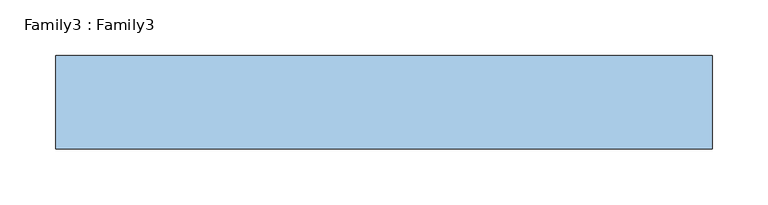
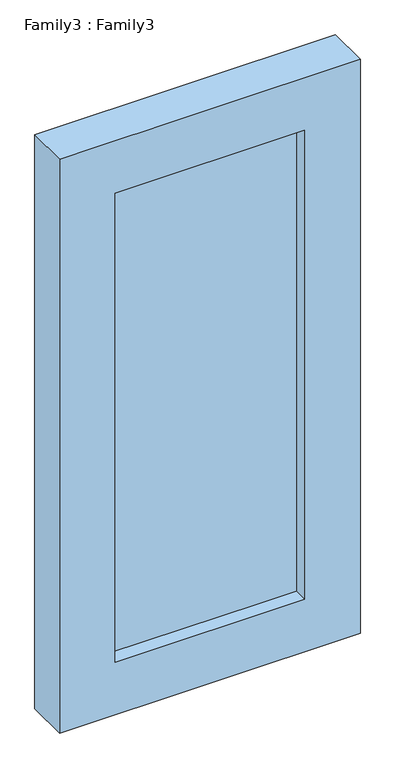
"""IFC4 building model written with IfcOpenShell, lengths in millimetres: window geometry, Family3 : Family3."""

from ifc_helpers import new_model, si_unit, frame, origin, place, context, project, spatial, polyline, outline, extrude, source, transform, mapped, element, save


def family3_family3_836ce1e6(model_context):
    return source(origin(), model_context, "Body", "SweptSolid", [
        extrude(outline(polyline([(186.0, -10.0), (186.0, -14.0), (-186.0, -14.0), (-186.0, -10.0), (186.0, -10.0)])), frame((0.0, 0.0, 909.0), z_axis=(0.0, 0.0, 1.0), x_axis=(1.0, 0.0, 0.0)), (0.0, 0.0, 1.0), 972.0),
        extrude(outline(polyline([(186.0, 14.0), (186.0, 10.0), (-186.0, 10.0), (-186.0, 14.0), (186.0, 14.0)])), frame((0.0, 0.0, 909.0), z_axis=(0.0, 0.0, 1.0), x_axis=(1.0, 0.0, 0.0)), (0.0, 0.0, 1.0), 972.0),
        extrude(outline(polyline([(1990.0, 295.0), (1990.0, -295.0), (800.0, -295.0), (800.0, 295.0), (1990.0, 295.0)]), holes=[polyline([(909.0, 186.0), (909.0, -186.0), (1881.0, -186.0), (1881.0, 186.0), (909.0, 186.0)])]), frame((0.0, -42.0, 0.0), z_axis=(0.0, 1.0, 0.0), x_axis=(0.0, 0.0, 1.0)), (0.0, 0.0, 1.0), 84.0),
    ])


if __name__ == "__main__":
    model = new_model("IFC4")
    model_context = context("Model", 3, world=origin())
    ifc_project = project(units=[si_unit("LENGTHUNIT", "METRE", prefix="MILLI")], contexts=[model_context])
    site = spatial("IfcSite", under=ifc_project)
    building = spatial("IfcBuilding", under=site)
    placement = place(None, origin())
    family3_family3_shape = family3_family3_836ce1e6(model_context)
    element("IfcWindow", 1, ObjectType="Family3 : Family3", at=placement, inside=building, context=model_context, shape_type="MappedRepresentation", body=[
        mapped(family3_family3_shape, transform((0.0, 0.0, 0.0), x_axis=(1.0, 0.0, 0.0), y_axis=(0.0, 1.0, 0.0), z_axis=(0.0, 0.0, 1.0))),
    ])
    save(model, "model.ifc")
